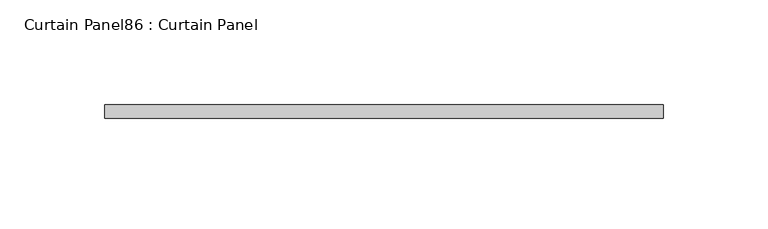
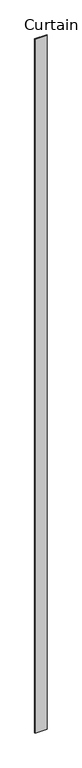
"""IFC4 building model written with IfcOpenShell, lengths in millimetres: plate geometry, Curtain Panel86 : Curtain Panel."""

from ifc_helpers import new_model, si_unit, frame, origin, place, context, project, spatial, polyline, outline, extrude, source, transform, mapped, element, save


def curtain_panel86_curtain_panel_dee8541f(model_context):
    return source(origin(), model_context, "Body", "SweptSolid", [
        extrude(outline(polyline([(174879.7950674, 7971.4334949), (174613.62612, 7971.4334949), (174613.62612, 7977.7834949), (174879.7950674, 7977.7834949), (174879.7950674, 7971.4334949)])), frame((0.0, 0.0, 1433.7679301), z_axis=(0.0, 0.0, 1.0), x_axis=(1.0, 0.0, 0.0)), (0.0, 0.0, 1.0), 15837.0064664),
    ])


if __name__ == "__main__":
    model = new_model("IFC4")
    model_context = context("Model", 3, world=origin())
    ifc_project = project(units=[si_unit("LENGTHUNIT", "METRE", prefix="MILLI")], contexts=[model_context])
    site = spatial("IfcSite", under=ifc_project)
    building = spatial("IfcBuilding", under=site)
    placement = place(None, origin())
    curtain_panel86_curtain_panel_shape = curtain_panel86_curtain_panel_dee8541f(model_context)
    element("IfcPlate", 1, ObjectType="Curtain Panel86 : Curtain Panel", at=placement, inside=building, context=model_context, shape_type="MappedRepresentation", body=[
        mapped(curtain_panel86_curtain_panel_shape, transform((0.0, 0.0, 0.0), x_axis=(1.0, 0.0, 0.0), y_axis=(0.0, 1.0, 0.0), z_axis=(0.0, 0.0, 1.0))),
    ])
    save(model, "model.ifc")
